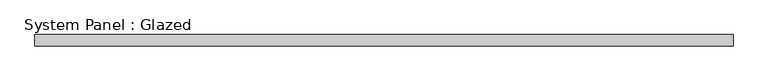
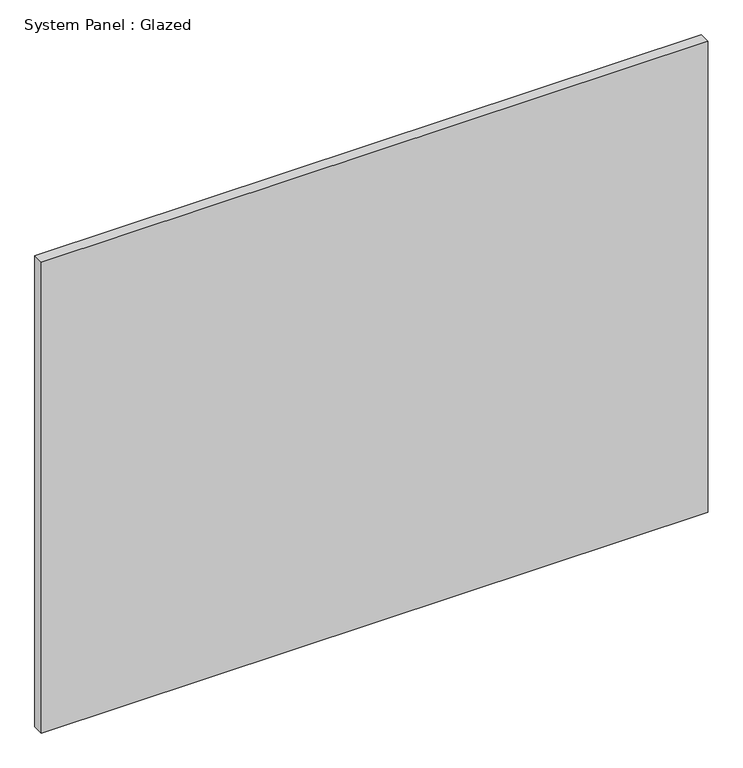
"""IFC4 building model written with IfcOpenShell, lengths in millimetres: plate geometry, System Panel : Glazed."""

from ifc_helpers import new_model, si_unit, origin, origin_with_axes, place, context, project, spatial, polyline, outline, extrude, source, transform, mapped, element, save


def system_panel_glazed_127478f5(model_context):
    return source(origin(), model_context, "Body", "SweptSolid", [
        extrude(outline(polyline([(769.9375, -12.7), (-769.9375, -12.7), (-769.9375, 12.7), (769.9375, 12.7), (769.9375, -12.7)])), origin_with_axes(), (0.0, 0.0, 1.0), 1149.35),
    ])


if __name__ == "__main__":
    model = new_model("IFC4")
    model_context = context("Model", 3, world=origin())
    ifc_project = project(units=[si_unit("LENGTHUNIT", "METRE", prefix="MILLI")], contexts=[model_context])
    site = spatial("IfcSite", under=ifc_project)
    building = spatial("IfcBuilding", under=site)
    placement = place(None, origin())
    system_panel_glazed_shape = system_panel_glazed_127478f5(model_context)
    element("IfcPlate", 1, ObjectType="System Panel : Glazed", at=placement, inside=building, context=model_context, shape_type="MappedRepresentation", body=[
        mapped(system_panel_glazed_shape, transform((0.0, 0.0, 0.0), x_axis=(1.0, 0.0, 0.0), y_axis=(0.0, 1.0, 0.0), z_axis=(0.0, 0.0, 1.0))),
    ])
    save(model, "model.ifc")
